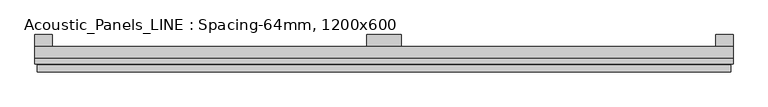
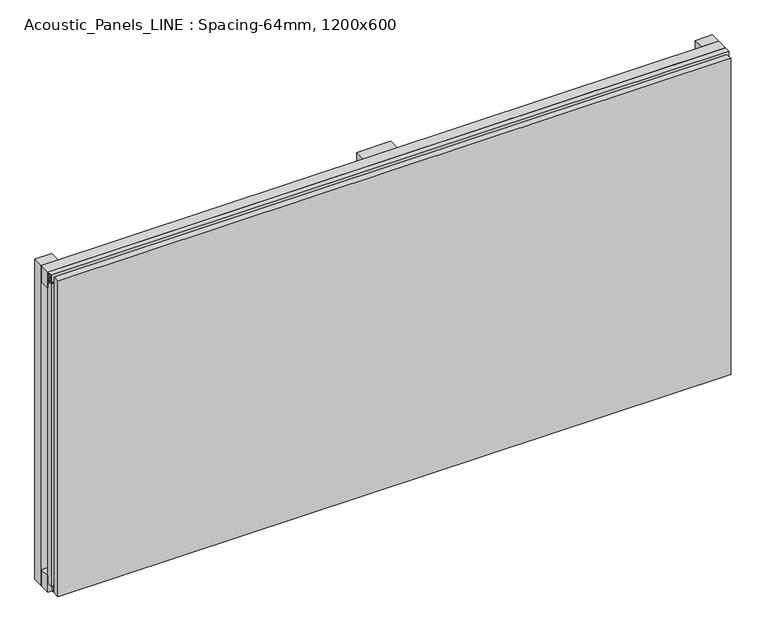
"""IFC4 building model written with IfcOpenShell, lengths in millimetres: plate geometry, Acoustic_Panels_LINE : Spacing-64mm, 1200x600."""

from ifc_helpers import new_model, si_unit, frame, origin, origin_with_axes, place, context, project, spatial, polyline, outline, extrude, faceted_brep, source, transform, mapped, element, save


def acoustic_panels_line_spacing_64mm_1200x600_061d720d(model_context):
    return source(origin(), model_context, "Body", "SolidModel", [
        extrude(outline(polyline([(-600.0, -40.0), (-600.0, -20.0), (600.0, -20.0), (600.0, -40.0), (-600.0, -40.0)])), frame((0.0, 0.0, 570.0), z_axis=(0.0, 0.0, 1.0), x_axis=(1.0, 0.0, 0.0)), (0.0, 0.0, 1.0), 30.0),
        extrude(outline(polyline([(-600.0, -40.0), (-600.0, -20.0), (600.0, -20.0), (600.0, -40.0), (-600.0, -40.0)])), origin_with_axes(), (0.0, 0.0, 1.0), 30.0),
        extrude(outline(polyline([(570.0, 0.0), (600.0, 0.0), (600.0, -20.0), (570.0, -20.0), (570.0, 0.0)])), origin_with_axes(), (0.0, 0.0, 1.0), 600.0),
        extrude(outline(polyline([(30.0, 0.0), (30.0, -20.0), (-30.0, -20.0), (-30.0, 0.0), (30.0, 0.0)])), origin_with_axes(), (0.0, 0.0, 1.0), 600.0),
        extrude(outline(polyline([(-570.0, 0.0), (-570.0, -20.0), (-600.0, -20.0), (-600.0, 0.0), (-570.0, 0.0)])), origin_with_axes(), (0.0, 0.0, 1.0), 600.0),
        extrude(outline(polyline([(-40.0, 593.700916), (-43.5, 593.700916), (-40.0553267, 584.6441401), (-40.0553267, 577.008452), (-41.4553267, 577.008452), (-41.4553267, 584.4296606), (-45.5140545, 595.100916), (-41.4, 595.100916), (-41.4, 598.5843193), (-48.7, 598.5843193), (-48.7, 586.5843193), (-50.1, 586.5843193), (-50.1, 600.0), (-40.0, 600.0), (-40.0, 593.700916)])), frame((-600.0, 0.0, 0.0), z_axis=(1.0, 0.0, 0.0), x_axis=(0.0, 1.0, 0.0)), (0.0, 0.0, 1.0), 1200.0),
        extrude(outline(polyline([(-593.700916, -40.0), (-593.700916, -43.5), (-584.6441401, -40.0553267), (-577.008452, -40.0553267), (-577.008452, -41.4553267), (-584.4296606, -41.4553267), (-595.100916, -45.5140545), (-595.100916, -41.4), (-598.5843193, -41.4), (-598.5843193, -48.7), (-586.5843193, -48.7), (-586.5843193, -50.1), (-600.0, -50.1), (-600.0, -40.0), (-593.700916, -40.0)])), frame((0.0, 0.0, 16.9558599), z_axis=(0.0, 0.0, 1.0), x_axis=(1.0, 0.0, 0.0)), (0.0, 0.0, 1.0), 566.0882802),
        faceted_brep([(596.0, -45.9, 596.0), (-596.0, -45.9, 596.0), (-596.0, -48.7, 596.0), (596.0, -48.7, 596.0), (-596.0, -63.9, 596.0), (596.0, -63.9, 596.0), (596.0, -51.9, 596.0), (-596.0, -51.9, 596.0), (-596.0, -45.9, 4.0), (596.0, -45.9, 4.0), (596.0, -48.7, 4.0), (-596.0, -48.7, 4.0), (596.0, -63.9, 4.0), (-596.0, -63.9, 4.0), (-596.0, -51.9, 4.0), (596.0, -51.9, 4.0), (584.0, -51.9, 584.0), (584.0, -51.9, 16.0), (584.0, -48.7, 16.0), (584.0, -48.7, 584.0), (-584.0, -51.9, 16.0), (-584.0, -48.7, 16.0), (-584.0, -51.9, 584.0), (-584.0, -48.7, 584.0)], [[[0, 1, 2, 3]], [[4, 5, 6, 7]], [[8, 9, 10, 11]], [[12, 13, 14, 15]], [[1, 0, 9, 8]], [[1, 8, 11, 2]], [[13, 4, 7, 14]], [[5, 4, 13, 12]], [[9, 0, 3, 10]], [[5, 12, 15, 6]], [[16, 17, 18, 19]], [[18, 17, 20, 21]], [[21, 20, 22, 23]], [[16, 19, 23, 22]], [[7, 6, 15, 14], [17, 16, 22, 20]], [[3, 2, 11, 10], [19, 18, 21, 23]]]),
    ])


if __name__ == "__main__":
    model = new_model("IFC4")
    model_context = context("Model", 3, world=origin())
    ifc_project = project(units=[si_unit("LENGTHUNIT", "METRE", prefix="MILLI")], contexts=[model_context])
    site = spatial("IfcSite", under=ifc_project)
    building = spatial("IfcBuilding", under=site)
    placement = place(None, origin())
    acoustic_panels_line_spacing_64mm_1200x600_shape = acoustic_panels_line_spacing_64mm_1200x600_061d720d(model_context)
    element("IfcPlate", 1, ObjectType="Acoustic_Panels_LINE : Spacing-64mm, 1200x600", at=placement, inside=building, context=model_context, shape_type="MappedRepresentation", body=[
        mapped(acoustic_panels_line_spacing_64mm_1200x600_shape, transform((0.0, 0.0, 0.0), x_axis=(1.0, 0.0, 0.0), y_axis=(0.0, 1.0, 0.0), z_axis=(0.0, 0.0, 1.0))),
    ])
    save(model, "model.ifc")
